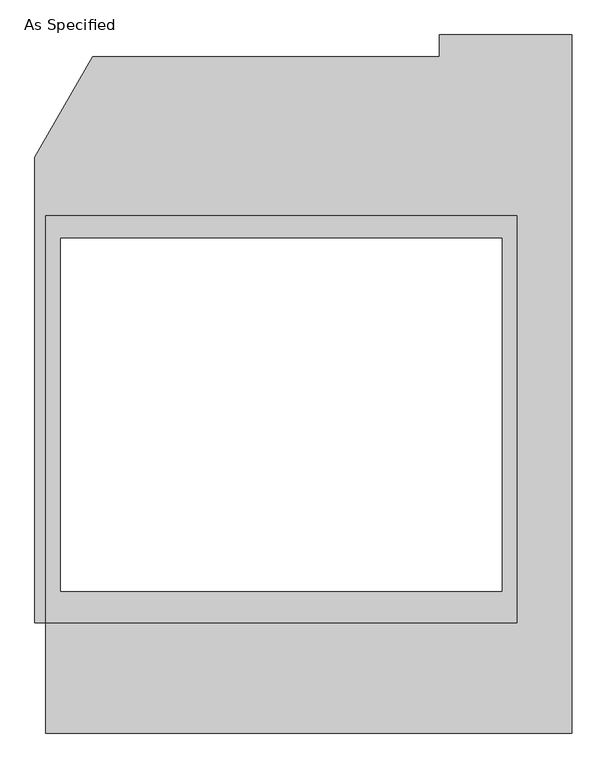
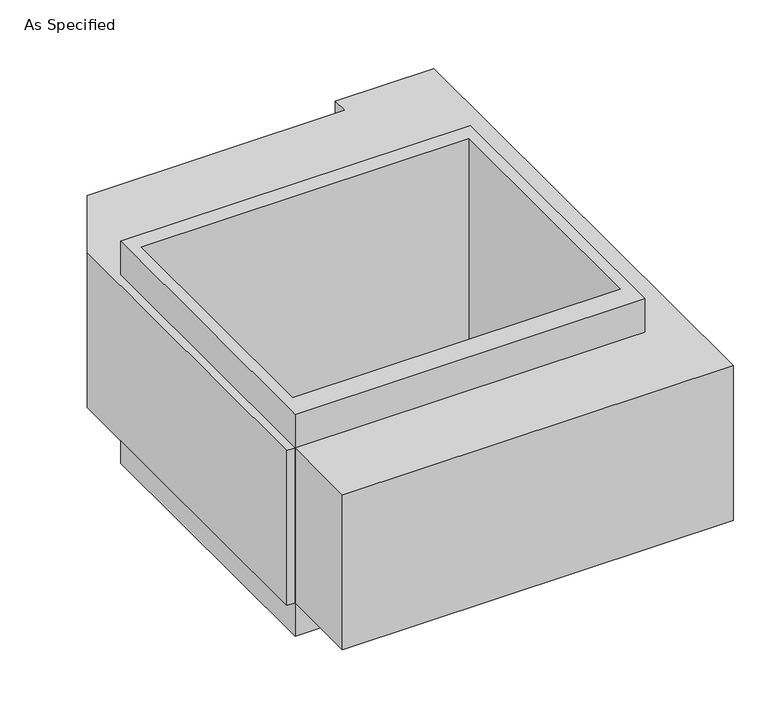
"""IFC4 building model written with IfcOpenShell, lengths in millimetres: proxy geometry, As Specified."""

from ifc_helpers import new_model, si_unit, frame, origin, place, context, project, spatial, polyline, outline, extrude, source, transform, mapped, element, save


def as_specified_1cbb1a36(model_context):
    return source(origin(), model_context, "Body", "SweptSolid", [
        extrude(outline(polyline([(812.8, 617.8351562), (812.8, -785.5148438), (-812.8, -785.5148438), (-812.8, 617.8351562), (812.8, 617.8351562)]), holes=[polyline([(-762.0, 541.6748437), (-762.0, -677.5251563), (762.0, -677.5251563), (762.0, 541.6748437), (-762.0, 541.6748437)])]), frame((0.0, 0.0, -952.5), z_axis=(0.0, 0.0, 1.0), x_axis=(1.0, 0.0, 0.0)), (0.0, 0.0, 1.0), 1092.2),
        extrude(outline(polyline([(-812.8, -1166.5148438), (-812.8, -785.5148438), (-850.9, -785.5148438), (-850.9, 821.0748437), (-651.460123, 1166.5148437), (546.1, 1166.5148437), (546.1, 1242.6751562), (1003.3, 1242.6751562), (1003.3, -1166.5148438), (-812.8, -1166.5148438)]), holes=[polyline([(762.0, -677.5251563), (762.0, 541.6748437), (-762.0, 541.6748437), (-762.0, -677.5251563), (762.0, -677.5251563)])]), frame((0.0, 0.0, -787.4), z_axis=(0.0, 0.0, 1.0), x_axis=(1.0, 0.0, 0.0)), (0.0, 0.0, 1.0), 762.0),
    ])


if __name__ == "__main__":
    model = new_model("IFC4")
    model_context = context("Model", 3, world=origin())
    ifc_project = project(units=[si_unit("LENGTHUNIT", "METRE", prefix="MILLI")], contexts=[model_context])
    site = spatial("IfcSite", under=ifc_project)
    building = spatial("IfcBuilding", under=site)
    placement = place(None, origin())
    as_specified_shape = as_specified_1cbb1a36(model_context)
    element("IfcBuildingElementProxy", 1, Name="As Specified", ObjectType="As Specified", at=placement, inside=building, context=model_context, shape_type="MappedRepresentation", body=[
        mapped(as_specified_shape, transform((0.0, 0.0, 0.0), x_axis=(1.0, 0.0, 0.0), y_axis=(0.0, 1.0, 0.0), z_axis=(0.0, 0.0, 1.0))),
    ])
    save(model, "model.ifc")
